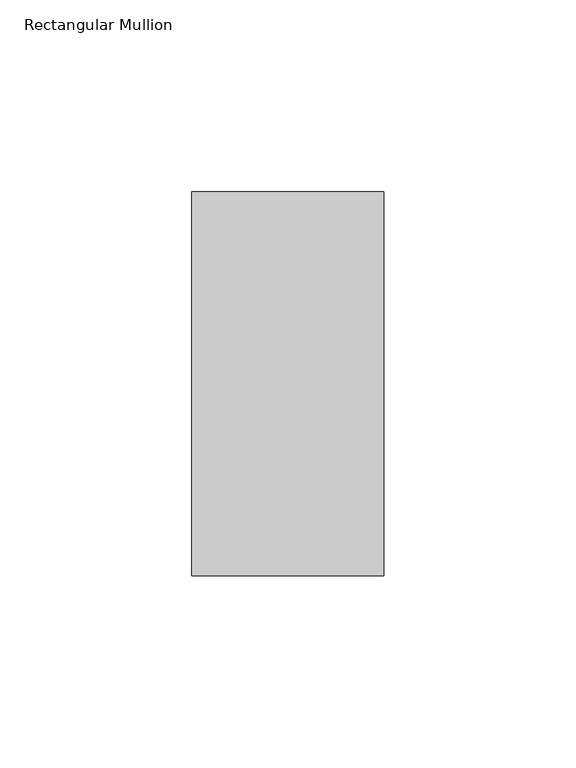
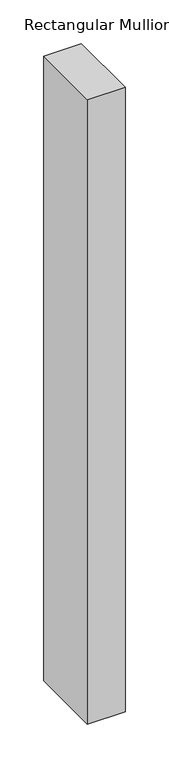
"""IFC4 building model written with IfcOpenShell, lengths in millimetres: member geometry, Rectangular Mullion."""

from ifc_helpers import new_model, si_unit, frame, origin, place, context, project, spatial, polyline, outline, extrude, source, transform, mapped, element, save


def rectangular_mullion_a9369f31(model_context):
    return source(origin(), model_context, "Body", "SweptSolid", [
        extrude(outline(polyline([(25.0, 31.0), (25.0, -69.0), (-25.0, -69.0), (-25.0, 31.0), (25.0, 31.0)])), frame((0.0, 0.0, -873.3333333), z_axis=(0.0, 0.0, 1.0), x_axis=(1.0, 0.0, 0.0)), (0.0, 0.0, 1.0), 873.3333333),
    ])


if __name__ == "__main__":
    model = new_model("IFC4")
    model_context = context("Model", 3, world=origin())
    ifc_project = project(units=[si_unit("LENGTHUNIT", "METRE", prefix="MILLI")], contexts=[model_context])
    site = spatial("IfcSite", under=ifc_project)
    building = spatial("IfcBuilding", under=site)
    placement = place(None, origin())
    rectangular_mullion_shape = rectangular_mullion_a9369f31(model_context)
    element("IfcMember", 1, ObjectType="Rectangular Mullion", at=placement, inside=building, context=model_context, shape_type="MappedRepresentation", body=[
        mapped(rectangular_mullion_shape, transform((0.0, 0.0, 0.0), x_axis=(1.0, 0.0, 0.0), y_axis=(0.0, 1.0, 0.0), z_axis=(0.0, 0.0, 1.0))),
    ])
    save(model, "model.ifc")
